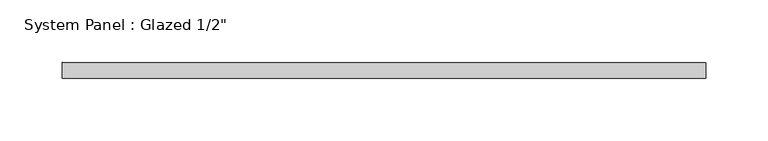
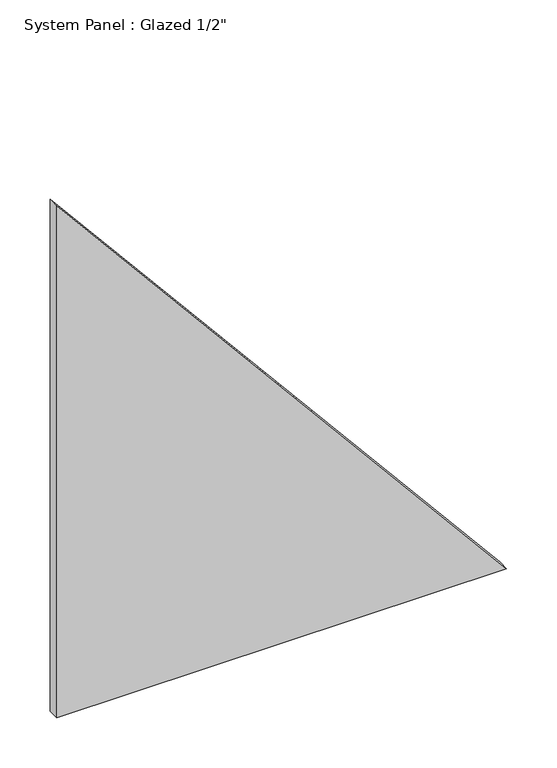
"""IFC4 building model written with IfcOpenShell, lengths in millimetres: plate geometry."""

from ifc_helpers import new_model, si_unit, frame, origin, place, context, project, spatial, polyline, outline, extrude, source, transform, mapped, element, save


def plate_24258e29(model_context):
    return source(origin(), model_context, "Body", "SweptSolid", [
        extrude(outline(polyline([(0.0, -257.6196542), (0.0, 257.6196542), (619.2405818, -257.6196542), (0.0, -257.6196542)])), frame((0.0, -6.35, 0.0), z_axis=(0.0, 1.0, 0.0), x_axis=(0.0, 0.0, 1.0)), (0.0, 0.0, 1.0), 12.7),
    ])


if __name__ == "__main__":
    model = new_model("IFC4")
    model_context = context("Model", 3, world=origin())
    ifc_project = project(units=[si_unit("LENGTHUNIT", "METRE", prefix="MILLI")], contexts=[model_context])
    site = spatial("IfcSite", under=ifc_project)
    building = spatial("IfcBuilding", under=site)
    placement = place(None, origin())
    plate_shape = plate_24258e29(model_context)
    element("IfcPlate", 1, ObjectType="System Panel : Glazed 1/2\"", at=placement, inside=building, context=model_context, shape_type="MappedRepresentation", body=[
        mapped(plate_shape, transform((0.0, 0.0, 0.0), x_axis=(1.0, 0.0, 0.0), y_axis=(0.0, 1.0, 0.0), z_axis=(0.0, 0.0, 1.0))),
    ])
    save(model, "model.ifc")
